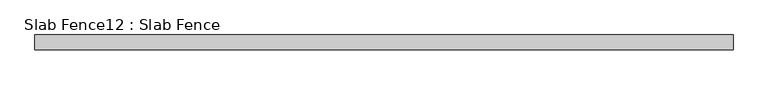
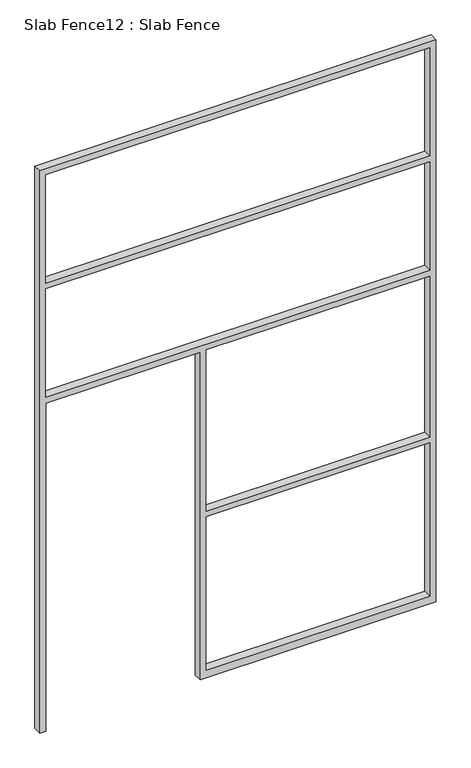
"""IFC4 building model written with IfcOpenShell, lengths in millimetres: proxy geometry, Slab Fence12 : Slab Fence."""

from ifc_helpers import new_model, si_unit, frame, origin, place, context, project, spatial, polyline, outline, extrude, source, transform, mapped, element, save


def slab_fence12_slab_fence_4837747e(model_context):
    return source(origin(), model_context, "Body", "SweptSolid", [
        extrude(outline(polyline([(3657.6, -10883.9098205), (0.0, -10883.9098205), (0.0, -10845.8098205), (2133.6, -10845.8098205), (2133.6, -9896.4848205), (0.0, -9896.4848205), (0.0, -9858.3848205), (0.0, -8445.5098205), (3657.6, -8445.5098205), (3657.6, -10883.9098205)]), holes=[polyline([(2876.55, -10845.8098205), (2876.55, -8483.6098205), (2171.7, -8483.6098205), (2171.7, -10845.8098205), (2876.55, -10845.8098205)]), polyline([(3619.5, -8483.6098205), (2914.65, -8483.6098205), (2914.65, -10845.8098205), (3619.5, -10845.8098205), (3619.5, -8483.6098205)]), polyline([(1085.85, -9858.3848205), (2133.6, -9858.3848205), (2133.6, -8483.6098205), (1085.85, -8483.6098205), (1085.85, -9858.3848205)]), polyline([(1047.75, -8483.6098205), (50.8, -8483.6098205), (50.8, -9858.3848205), (1047.75, -9858.3848205), (1047.75, -8483.6098205)])]), frame((0.0, -12138.982317, 0.0), z_axis=(0.0, 1.0, 0.0), x_axis=(0.0, 0.0, 1.0)), (0.0, 0.0, 1.0), 52.001598),
    ])


if __name__ == "__main__":
    model = new_model("IFC4")
    model_context = context("Model", 3, world=origin())
    ifc_project = project(units=[si_unit("LENGTHUNIT", "METRE", prefix="MILLI")], contexts=[model_context])
    site = spatial("IfcSite", under=ifc_project)
    building = spatial("IfcBuilding", under=site)
    placement = place(None, origin())
    slab_fence12_slab_fence_shape = slab_fence12_slab_fence_4837747e(model_context)
    element("IfcBuildingElementProxy", 1, Name="Slab Fence12 : Slab Fence", ObjectType="Slab Fence12 : Slab Fence", at=placement, inside=building, context=model_context, shape_type="MappedRepresentation", body=[
        mapped(slab_fence12_slab_fence_shape, transform((0.0, 0.0, 0.0), x_axis=(1.0, 0.0, 0.0), y_axis=(0.0, 1.0, 0.0), z_axis=(0.0, 0.0, 1.0))),
    ])
    save(model, "model.ifc")
